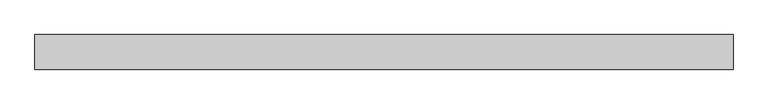
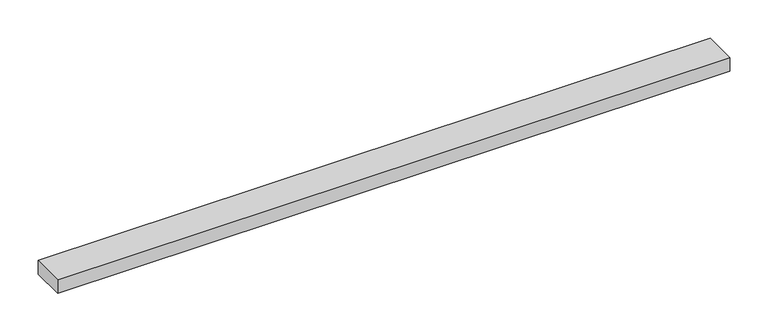
"""IFC4 building model written with IfcOpenShell, lengths in millimetres: beam geometry."""

import ifcopenshell
import ifcopenshell.guid

model = None  # the IFC model being written
_history = None  # IfcOwnerHistory: only IFC2X3 demands one
_inside = {}  # id of a spatial element -> (the spatial element, [elements in it])
_under = {}  # id of a project, library or spatial element -> (it, [spatial elements below it])
_declared = {}  # id of a project -> (the project, [libraries it declares])
_typed = {}  # id of a type object -> (the type object, [elements of that type])
_made_of = {}  # id of a material, layer set ... -> (it, [elements and type objects made of it])


def new_model(schema):
    """Start an empty IFC model of exactly this schema.

    Asked for "IFC4X3", IfcOpenShell would pick the latest addendum, in which some entities
    have other attributes; the version numbers below select the first issue.
    IFC2X3 requires an IfcOwnerHistory on every rooted entity: one is made here for all.
    """
    global model, _history
    if schema == "IFC4X3":
        model = ifcopenshell.file(schema_version=(4, 3, 0, 0))
    else:
        model = ifcopenshell.file(schema=schema)
    _inside.clear()
    _under.clear()
    _declared.clear()
    _typed.clear()
    _made_of.clear()
    _history = None
    if model.schema == "IFC2X3":
        org = make("IfcOrganization", Name="unknown")
        user = make(
            "IfcPersonAndOrganization",
            ThePerson=make("IfcPerson", FamilyName="unknown"),
            TheOrganization=org,
        )
        app = make(
            "IfcApplication",
            ApplicationDeveloper=org,
            Version="unknown",
            ApplicationFullName="unknown",
            ApplicationIdentifier="unknown",
        )
        _history = make(
            "IfcOwnerHistory",
            OwningUser=user,
            OwningApplication=app,
            ChangeAction="ADDED",
            CreationDate=0,
        )
    return model


def make(cls, **values):
    """One entity of the class cls with the attributes given. An attribute that is None is left unset."""
    return model.create_entity(
        cls, **{name: value for name, value in values.items() if value is not None}
    )


def rooted(cls, **values):
    """An entity with a GlobalId (a new one), such as an element, a storey or a relation."""
    return make(cls, GlobalId=ifcopenshell.guid.new(), OwnerHistory=_history, **values)


def si_unit(unit_type, name, prefix=None):
    """IfcSIUnit, for example si_unit("LENGTHUNIT", "METRE", prefix="MILLI")."""
    return make("IfcSIUnit", UnitType=unit_type, Prefix=prefix, Name=name)


def assignment(units):
    """IfcUnitAssignment: the units of a project."""
    return None if units is None else make("IfcUnitAssignment", Units=units)


def point(xyz):
    """IfcCartesianPoint."""
    return None if xyz is None else make("IfcCartesianPoint", Coordinates=xyz)


def direction(xyz):
    """IfcDirection."""
    return None if xyz is None else make("IfcDirection", DirectionRatios=xyz)


def frame(location, z_axis=None, x_axis=None):
    """IfcAxis2Placement3D, a coordinate frame: its origin and axes. An axis left out is left unset."""
    return make(
        "IfcAxis2Placement3D",
        Location=point(location),
        Axis=direction(z_axis),
        RefDirection=direction(x_axis),
    )


def origin():
    """The frame at (0, 0, 0) with its axes left unset."""
    return frame((0.0, 0.0, 0.0))


def place(relative_to, where):
    """IfcLocalPlacement: puts the frame where relative to a parent placement (None: the world)."""
    return make(
        "IfcLocalPlacement", PlacementRelTo=relative_to, RelativePlacement=where
    )


def context(
    kind, dimensions, precision=None, world=None, true_north=None, identifier=None
):
    """IfcGeometricRepresentationContext, for example the 3D "Model" context."""
    return make(
        "IfcGeometricRepresentationContext",
        ContextIdentifier=identifier,
        ContextType=kind,
        CoordinateSpaceDimension=dimensions,
        Precision=precision,
        WorldCoordinateSystem=world,
        TrueNorth=true_north,
    )


def project(units=None, contexts=None):
    """IfcProject with its units and contexts."""
    return rooted(
        "IfcProject",
        Name="project",
        RepresentationContexts=contexts,
        UnitsInContext=assignment(units),
    )


def spatial(cls, under=None, at=None, **own):
    """A site, building, storey or space (cls), placed at a placement, below another one or the project."""
    s = rooted(cls, ObjectPlacement=at, **own)
    if under is not None:
        _under.setdefault(under.id(), (under, []))[1].append(s)
    return s


def polyline(points):
    """IfcPolyline through the points."""
    return make("IfcPolyline", Points=[point(p) for p in points])


def outline(outer, holes=None, kind="AREA"):
    """IfcArbitraryClosedProfileDef: a profile drawn as a closed curve; with holes, ...WithVoids."""
    if holes is None:
        return make("IfcArbitraryClosedProfileDef", ProfileType=kind, OuterCurve=outer)
    return make(
        "IfcArbitraryProfileDefWithVoids",
        ProfileType=kind,
        OuterCurve=outer,
        InnerCurves=holes,
    )


def extrude(swept, where, along, depth):
    """IfcExtrudedAreaSolid: the profile swept, set in the frame where, extruded along a direction by depth."""
    return make(
        "IfcExtrudedAreaSolid",
        SweptArea=swept,
        Position=where,
        ExtrudedDirection=direction(along),
        Depth=depth,
    )


def shape(context_of_items, identifier, shape_type, items):
    """IfcShapeRepresentation: the items that make up one representation, for example the "Body"."""
    return make(
        "IfcShapeRepresentation",
        ContextOfItems=context_of_items,
        RepresentationIdentifier=identifier,
        RepresentationType=shape_type,
        Items=items,
    )


def source(mapping_origin, context_of_items, identifier, shape_type, items):
    """IfcRepresentationMap: a shape defined once, which mapped items show again and again."""
    return make(
        "IfcRepresentationMap",
        MappingOrigin=mapping_origin,
        MappedRepresentation=shape(context_of_items, identifier, shape_type, items),
    )


def transform(
    local_origin,
    x_axis=None,
    y_axis=None,
    z_axis=None,
    scale=None,
    scale2=None,
    scale3=None,
    uniform=True,
):
    """IfcCartesianTransformationOperator3D, or its non-uniform kind. x_axis, y_axis, z_axis: its Axis1, 2, 3."""
    if uniform:
        return make(
            "IfcCartesianTransformationOperator3D",
            Axis1=direction(x_axis),
            Axis2=direction(y_axis),
            LocalOrigin=point(local_origin),
            Scale=scale,
            Axis3=direction(z_axis),
        )
    return make(
        "IfcCartesianTransformationOperator3DnonUniform",
        Axis1=direction(x_axis),
        Axis2=direction(y_axis),
        LocalOrigin=point(local_origin),
        Scale=scale,
        Axis3=direction(z_axis),
        Scale2=scale2,
        Scale3=scale3,
    )


def mapped(mapping_source, mapping_target):
    """IfcMappedItem: shows the shape of a source again, moved by a transform."""
    return make(
        "IfcMappedItem", MappingSource=mapping_source, MappingTarget=mapping_target
    )


def made_of(thing, what):
    """Note that an element or type object is made of a material, layer set ...; save() writes the relation."""
    if what is not None:
        _made_of.setdefault(what.id(), (what, []))[1].append(thing)
    return thing


def element(
    cls,
    number,
    at=None,
    inside=None,
    cuts=None,
    type_object=None,
    material=None,
    context=None,
    identifier="Body",
    shape_type=None,
    held_by="IfcProductDefinitionShape",
    body=None,
    shapes=None,
    **own,
):
    """One element of the class cls, such as IfcWall. Its Tag is "e" and its number.

    at: its placement. inside: the storey or other place that contains it. cuts: it is an
    opening in that element (IfcRelVoidsElement). A single representation is given by context,
    identifier, shape_type and body (its items); several are given by shapes. held_by: the class
    of the entity that holds the representations. save() writes the other relations.
    """
    e = rooted(cls, Tag="e%d" % number, ObjectPlacement=at, **own)
    if body is not None:
        shapes = [shape(context, identifier, shape_type, body)]
    if shapes is not None:
        e.Representation = make(held_by, Representations=shapes)
    if inside is not None:
        _inside.setdefault(inside.id(), (inside, []))[1].append(e)
    if cuts is not None:
        rooted(
            "IfcRelVoidsElement", RelatingBuildingElement=cuts, RelatedOpeningElement=e
        )
    if type_object is not None:
        _typed.setdefault(type_object.id(), (type_object, []))[1].append(e)
    return made_of(e, material)


def aggregate(whole, parts):
    """IfcRelAggregates: a whole, such as a stair, and the parts it consists of."""
    return rooted("IfcRelAggregates", RelatingObject=whole, RelatedObjects=parts)


def save(model, path):
    """Write the relations noted so far, then the file.

    IfcRelAggregates (storeys below a building ...), IfcRelContainedInSpatialStructure (elements
    in a storey), IfcRelDefinesByType, IfcRelAssociatesMaterial and IfcRelDeclares: one each for
    every whole, place, type object, material and project.
    """
    for whole, parts in _under.values():
        aggregate(whole, parts)
    for where, things in _inside.values():
        rooted(
            "IfcRelContainedInSpatialStructure",
            RelatedElements=things,
            RelatingStructure=where,
        )
    for kind, things in _typed.values():
        rooted("IfcRelDefinesByType", RelatedObjects=things, RelatingType=kind)
    for what, things in _made_of.values():
        rooted("IfcRelAssociatesMaterial", RelatedObjects=things, RelatingMaterial=what)
    for by, libraries in _declared.values():
        rooted("IfcRelDeclares", RelatingContext=by, RelatedDefinitions=libraries)
    model.write(path)


def beam_64ef4d3a(model_context):
    return source(origin(), model_context, "Body", "SweptSolid", [
        extrude(outline(polyline([(491.8439182, 25.0), (491.8439182, -25.0), (-516.8439182, -25.0), (-516.8439182, 25.0), (491.8439182, 25.0)])), frame((0.0, 0.0, -11.0), z_axis=(0.0, 0.0, 1.0), x_axis=(1.0, 0.0, 0.0)), (0.0, 0.0, 1.0), 22.0),
    ])


if __name__ == "__main__":
    model = new_model("IFC4")
    model_context = context("Model", 3, world=origin())
    ifc_project = project(units=[si_unit("LENGTHUNIT", "METRE", prefix="MILLI")], contexts=[model_context])
    site = spatial("IfcSite", under=ifc_project)
    building = spatial("IfcBuilding", under=site)
    placement = place(None, origin())
    beam_shape = beam_64ef4d3a(model_context)
    element("IfcBeam", 1, at=placement, inside=building, context=model_context, shape_type="MappedRepresentation", body=[
        mapped(beam_shape, transform((0.0, 0.0, 0.0), x_axis=(1.0, 0.0, 0.0), y_axis=(0.0, 1.0, 0.0), z_axis=(0.0, 0.0, 1.0))),
    ])
    save(model, "model.ifc")
